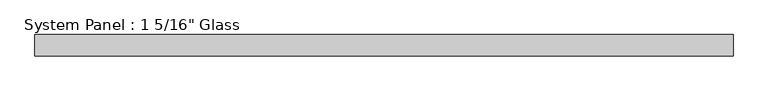
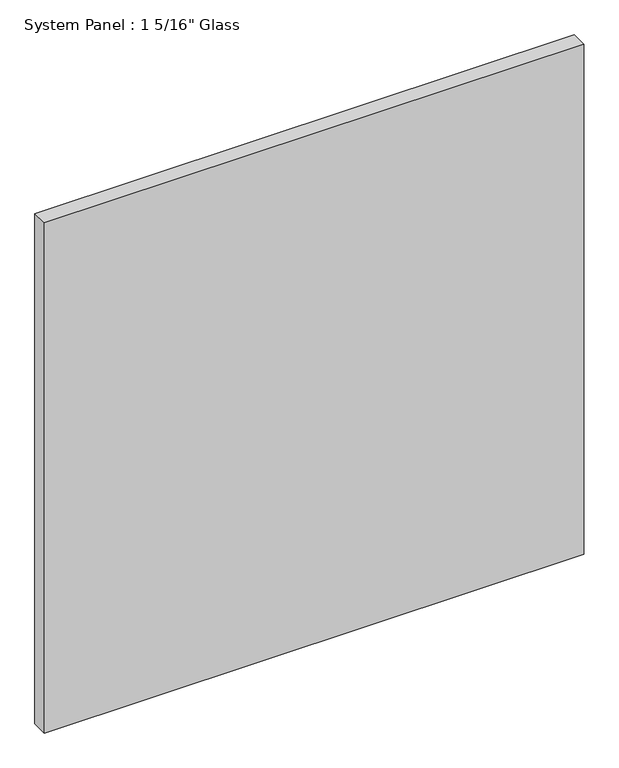
"""IFC4 building model written with IfcOpenShell, lengths in millimetres: plate geometry."""

from ifc_helpers import new_model, si_unit, origin, origin_with_axes, place, context, project, spatial, polyline, outline, extrude, source, transform, mapped, element, save


def plate_8da2b926(model_context):
    return source(origin(), model_context, "Body", "SweptSolid", [
        extrude(outline(polyline([(546.1, -16.66875), (-546.1, -16.66875), (-546.1, 16.66875), (546.1, 16.66875), (546.1, -16.66875)])), origin_with_axes(), (0.0, 0.0, 1.0), 1092.2),
    ])


if __name__ == "__main__":
    model = new_model("IFC4")
    model_context = context("Model", 3, world=origin())
    ifc_project = project(units=[si_unit("LENGTHUNIT", "METRE", prefix="MILLI")], contexts=[model_context])
    site = spatial("IfcSite", under=ifc_project)
    building = spatial("IfcBuilding", under=site)
    placement = place(None, origin())
    plate_shape = plate_8da2b926(model_context)
    element("IfcPlate", 1, ObjectType="System Panel : 1 5/16\" Glass", at=placement, inside=building, context=model_context, shape_type="MappedRepresentation", body=[
        mapped(plate_shape, transform((0.0, 0.0, 0.0), x_axis=(1.0, 0.0, 0.0), y_axis=(0.0, 1.0, 0.0), z_axis=(0.0, 0.0, 1.0))),
    ])
    save(model, "model.ifc")
